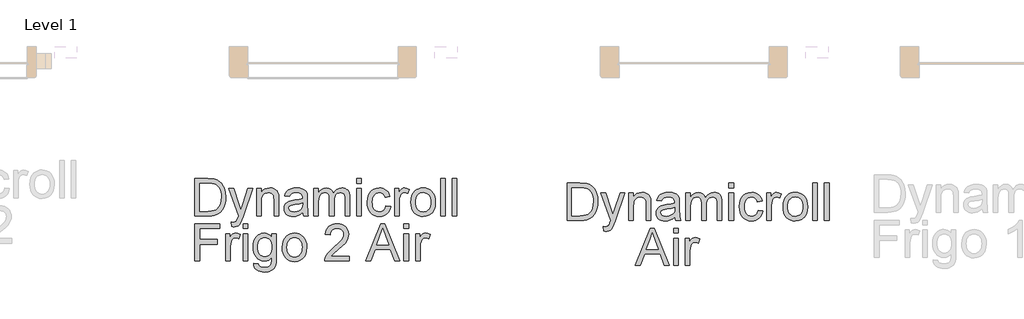
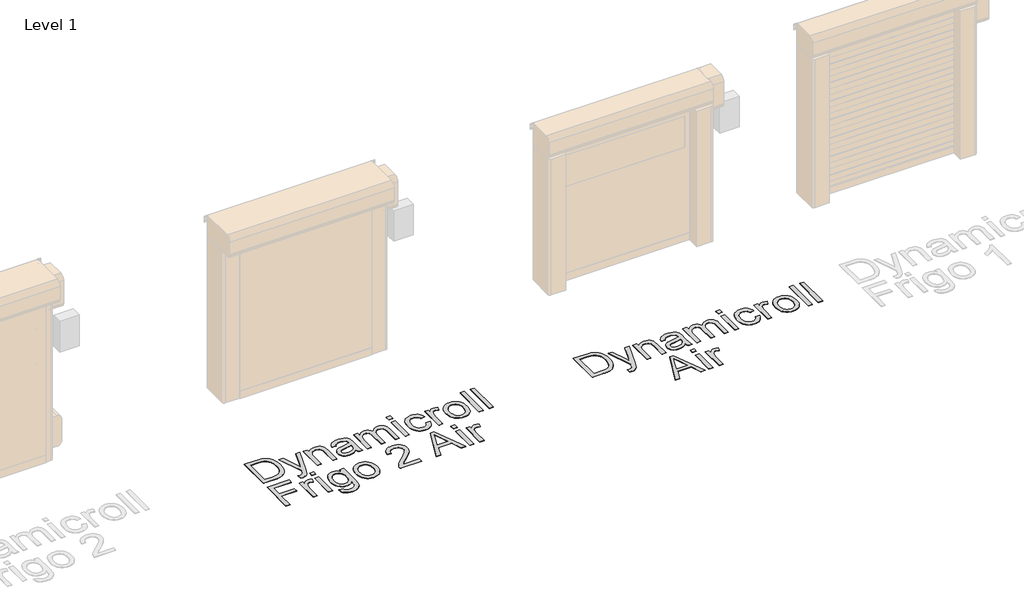
# One storey, part 5 of 18: 2 proxies.
"""IFC4 building model written with IfcOpenShell, lengths in millimetres."""

import ifcopenshell
import ifcopenshell.guid

model = None  # the IFC model being written
_history = None  # IfcOwnerHistory: only IFC2X3 demands one
_inside = {}  # id of a spatial element -> (the spatial element, [elements in it])
_under = {}  # id of a project, library or spatial element -> (it, [spatial elements below it])
_declared = {}  # id of a project -> (the project, [libraries it declares])
_typed = {}  # id of a type object -> (the type object, [elements of that type])
_made_of = {}  # id of a material, layer set ... -> (it, [elements and type objects made of it])


def new_model(schema):
    """Start an empty IFC model of exactly this schema.

    Asked for "IFC4X3", IfcOpenShell would pick the latest addendum, in which some entities
    have other attributes; the version numbers below select the first issue.
    IFC2X3 requires an IfcOwnerHistory on every rooted entity: one is made here for all.
    """
    global model, _history
    if schema == "IFC4X3":
        model = ifcopenshell.file(schema_version=(4, 3, 0, 0))
    else:
        model = ifcopenshell.file(schema=schema)
    _inside.clear()
    _under.clear()
    _declared.clear()
    _typed.clear()
    _made_of.clear()
    _history = None
    if model.schema == "IFC2X3":
        org = make("IfcOrganization", Name="unknown")
        user = make(
            "IfcPersonAndOrganization",
            ThePerson=make("IfcPerson", FamilyName="unknown"),
            TheOrganization=org,
        )
        app = make(
            "IfcApplication",
            ApplicationDeveloper=org,
            Version="unknown",
            ApplicationFullName="unknown",
            ApplicationIdentifier="unknown",
        )
        _history = make(
            "IfcOwnerHistory",
            OwningUser=user,
            OwningApplication=app,
            ChangeAction="ADDED",
            CreationDate=0,
        )
    return model


def make(cls, **values):
    """One entity of the class cls with the attributes given. An attribute that is None is left unset."""
    return model.create_entity(
        cls, **{name: value for name, value in values.items() if value is not None}
    )


def rooted(cls, **values):
    """An entity with a GlobalId (a new one), such as an element, a storey or a relation."""
    return make(cls, GlobalId=ifcopenshell.guid.new(), OwnerHistory=_history, **values)


def si_unit(unit_type, name, prefix=None):
    """IfcSIUnit, for example si_unit("LENGTHUNIT", "METRE", prefix="MILLI")."""
    return make("IfcSIUnit", UnitType=unit_type, Prefix=prefix, Name=name)


def assignment(units):
    """IfcUnitAssignment: the units of a project."""
    return None if units is None else make("IfcUnitAssignment", Units=units)


def point(xyz):
    """IfcCartesianPoint."""
    return None if xyz is None else make("IfcCartesianPoint", Coordinates=xyz)


def direction(xyz):
    """IfcDirection."""
    return None if xyz is None else make("IfcDirection", DirectionRatios=xyz)


def frame(location, z_axis=None, x_axis=None):
    """IfcAxis2Placement3D, a coordinate frame: its origin and axes. An axis left out is left unset."""
    return make(
        "IfcAxis2Placement3D",
        Location=point(location),
        Axis=direction(z_axis),
        RefDirection=direction(x_axis),
    )


def origin():
    """The frame at (0, 0, 0) with its axes left unset."""
    return frame((0.0, 0.0, 0.0))


def origin_with_axes():
    """The frame at (0, 0, 0) with the z axis (0, 0, 1) and the x axis (1, 0, 0) written out."""
    return frame((0.0, 0.0, 0.0), z_axis=(0.0, 0.0, 1.0), x_axis=(1.0, 0.0, 0.0))


def place(relative_to, where):
    """IfcLocalPlacement: puts the frame where relative to a parent placement (None: the world)."""
    return make(
        "IfcLocalPlacement", PlacementRelTo=relative_to, RelativePlacement=where
    )


def context(
    kind, dimensions, precision=None, world=None, true_north=None, identifier=None
):
    """IfcGeometricRepresentationContext, for example the 3D "Model" context."""
    return make(
        "IfcGeometricRepresentationContext",
        ContextIdentifier=identifier,
        ContextType=kind,
        CoordinateSpaceDimension=dimensions,
        Precision=precision,
        WorldCoordinateSystem=world,
        TrueNorth=true_north,
    )


def project(units=None, contexts=None):
    """IfcProject with its units and contexts."""
    return rooted(
        "IfcProject",
        Name="project",
        RepresentationContexts=contexts,
        UnitsInContext=assignment(units),
    )


def spatial(cls, under=None, at=None, **own):
    """A site, building, storey or space (cls), placed at a placement, below another one or the project."""
    s = rooted(cls, ObjectPlacement=at, **own)
    if under is not None:
        _under.setdefault(under.id(), (under, []))[1].append(s)
    return s


def polyline(points):
    """IfcPolyline through the points."""
    return make("IfcPolyline", Points=[point(p) for p in points])


def outline(outer, holes=None, kind="AREA"):
    """IfcArbitraryClosedProfileDef: a profile drawn as a closed curve; with holes, ...WithVoids."""
    if holes is None:
        return make("IfcArbitraryClosedProfileDef", ProfileType=kind, OuterCurve=outer)
    return make(
        "IfcArbitraryProfileDefWithVoids",
        ProfileType=kind,
        OuterCurve=outer,
        InnerCurves=holes,
    )


def extrude(swept, where, along, depth):
    """IfcExtrudedAreaSolid: the profile swept, set in the frame where, extruded along a direction by depth."""
    return make(
        "IfcExtrudedAreaSolid",
        SweptArea=swept,
        Position=where,
        ExtrudedDirection=direction(along),
        Depth=depth,
    )


def shape(context_of_items, identifier, shape_type, items):
    """IfcShapeRepresentation: the items that make up one representation, for example the "Body"."""
    return make(
        "IfcShapeRepresentation",
        ContextOfItems=context_of_items,
        RepresentationIdentifier=identifier,
        RepresentationType=shape_type,
        Items=items,
    )


def made_of(thing, what):
    """Note that an element or type object is made of a material, layer set ...; save() writes the relation."""
    if what is not None:
        _made_of.setdefault(what.id(), (what, []))[1].append(thing)
    return thing


def element(
    cls,
    number,
    at=None,
    inside=None,
    cuts=None,
    type_object=None,
    material=None,
    context=None,
    identifier="Body",
    shape_type=None,
    held_by="IfcProductDefinitionShape",
    body=None,
    shapes=None,
    **own,
):
    """One element of the class cls, such as IfcWall. Its Tag is "e" and its number.

    at: its placement. inside: the storey or other place that contains it. cuts: it is an
    opening in that element (IfcRelVoidsElement). A single representation is given by context,
    identifier, shape_type and body (its items); several are given by shapes. held_by: the class
    of the entity that holds the representations. save() writes the other relations.
    """
    e = rooted(cls, Tag="e%d" % number, ObjectPlacement=at, **own)
    if body is not None:
        shapes = [shape(context, identifier, shape_type, body)]
    if shapes is not None:
        e.Representation = make(held_by, Representations=shapes)
    if inside is not None:
        _inside.setdefault(inside.id(), (inside, []))[1].append(e)
    if cuts is not None:
        rooted(
            "IfcRelVoidsElement", RelatingBuildingElement=cuts, RelatedOpeningElement=e
        )
    if type_object is not None:
        _typed.setdefault(type_object.id(), (type_object, []))[1].append(e)
    return made_of(e, material)


def aggregate(whole, parts):
    """IfcRelAggregates: a whole, such as a stair, and the parts it consists of."""
    return rooted("IfcRelAggregates", RelatingObject=whole, RelatedObjects=parts)


def save(model, path):
    """Write the relations noted so far, then the file.

    IfcRelAggregates (storeys below a building ...), IfcRelContainedInSpatialStructure (elements
    in a storey), IfcRelDefinesByType, IfcRelAssociatesMaterial and IfcRelDeclares: one each for
    every whole, place, type object, material and project.
    """
    for whole, parts in _under.values():
        aggregate(whole, parts)
    for where, things in _inside.values():
        rooted(
            "IfcRelContainedInSpatialStructure",
            RelatedElements=things,
            RelatingStructure=where,
        )
    for kind, things in _typed.values():
        rooted("IfcRelDefinesByType", RelatedObjects=things, RelatingType=kind)
    for what, things in _made_of.values():
        rooted("IfcRelAssociatesMaterial", RelatedObjects=things, RelatingMaterial=what)
    for by, libraries in _declared.values():
        rooted("IfcRelDeclares", RelatingContext=by, RelatedDefinitions=libraries)
    model.write(path)


model = new_model("IFC4")

# Units and contexts
model_context = context("Model", 3, world=origin())
ifc_project = project(units=[si_unit("LENGTHUNIT", "METRE", prefix="MILLI")], contexts=[model_context])

# Site, building, storey
site = spatial("IfcSite", under=ifc_project)
building = spatial("IfcBuilding", under=site)
storey = spatial("IfcBuildingStorey", under=building, Name="Level 1", Elevation=0.0)

# Proxies
placement = place(None, origin())
element("IfcBuildingElementProxy", 1, Name="500mm", ObjectType="500mm", at=placement, inside=storey, context=model_context, shape_type="SweptSolid", body=[
    extrude(outline(polyline([(24771.8968294, 7368.7374399), (24771.8968294, 7871.0189907), (24945.1692491, 7871.0189907), (24996.94864, 7869.2102375), (25034.8098286, 7863.7839781), (25074.8476524, 7849.8351191), (25108.6314823, 7827.8541699), (25127.2478441, 7809.8892658), (25143.365674, 7789.5944424), (25156.9849721, 7766.9696997), (25168.1057382, 7742.0150377), (25182.9129885, 7686.0356608), (25187.8487386, 7622.5760166), (25184.5071438, 7568.6659759), (25174.4823595, 7521.2245269), (25159.2152567, 7480.8341495), (25140.1467066, 7448.0773235), (25118.1964142, 7422.218285), (25094.2840845, 7402.5212698), (25066.8308906, 7387.9132889), (25034.2580056, 7377.3213531), (24996.5041159, 7370.8834182), (24953.5079077, 7368.7374399), (24771.8968294, 7368.7374399)]), holes=[polyline([(24834.6820233, 7431.5226338), (24945.7823858, 7431.5226338), (24991.7369784, 7433.7912394), (25026.5937974, 7440.5970563), (25052.8973601, 7451.5415457), (25073.1921835, 7466.2261686), (25095.0045201, 7493.403451), (25111.3905973, 7528.5821668), (25121.6453079, 7571.9156002), (25125.0635448, 7623.5570352), (25123.3889153, 7660.0080096), (25118.3650268, 7691.9830863), (25109.9918793, 7719.4822655), (25098.2694728, 7742.505547), (25084.1481691, 7761.5740971), (25068.5783301, 7777.2090819), (25051.5599557, 7789.4105014), (25033.093046, 7798.1783556), (24996.9792968, 7805.7199365), (24944.0656032, 7808.2337968), (24834.6820233, 7808.2337968), (24834.6820233, 7431.5226338)])]), origin_with_axes(), (0.0, 0.0, 1.0), 5.0),
    extrude(outline(polyline([(25266.3302309, 7227.4707538), (25258.4820817, 7287.9260283), (25290.3651879, 7282.4077984), (25307.1344756, 7284.1399094), (25320.1636296, 7289.3362426), (25330.3110413, 7297.6289159), (25338.435102, 7308.6500474), (25355.6029284, 7354.8805514), (25360.5080217, 7370.0863406), (25227.0894848, 7737.6004537), (25293.3082439, 7737.6004537), (25364.0642143, 7532.8128098), (25388.712308, 7450.8977522), (25413.3604017, 7523.2478779), (25486.0784094, 7737.6004537), (25551.8066592, 7737.6004537), (25423.4158429, 7359.908272), (25390.0612086, 7277.9932144), (25372.9853527, 7251.8429359), (25353.6408911, 7233.7247477), (25331.1694326, 7223.1481403), (25304.7125858, 7219.6226045), (25286.5330838, 7221.5846418), (25266.3302309, 7227.4707538)])), origin_with_axes(), (0.0, 0.0, 1.0), 5.0),
    extrude(outline(polyline([(25603.8006478, 7368.7374399), (25603.8006478, 7737.6004537), (25666.5858417, 7737.6004537), (25666.5858417, 7686.0969744), (25688.3981783, 7712.0633119), (25714.594442, 7730.6106958), (25745.1746329, 7741.7391262), (25780.1387509, 7745.448603), (25811.0868237, 7742.4595618), (25839.4290657, 7733.4924381), (25863.0654839, 7719.6662065), (25879.8960852, 7702.0998412), (25891.3157555, 7680.8393276), (25898.7193806, 7655.9306508), (25902.0303186, 7595.2301216), (25902.0303186, 7368.7374399), (25839.2451247, 7368.7374399), (25839.2451247, 7586.7688357), (25837.4363716, 7619.2344218), (25832.0101122, 7642.319017), (25822.0006562, 7658.8583784), (25806.4423135, 7671.6882629), (25786.5000437, 7679.9196226), (25763.3388064, 7682.6634091), (25744.2740884, 7681.1229033), (25726.5659353, 7676.5013857), (25710.214347, 7668.7988564), (25695.2193236, 7658.0153155), (25682.6921753, 7642.9244894), (25673.7442122, 7622.3001051), (25668.3754343, 7596.1421624), (25666.5858417, 7564.4506613), (25666.5858417, 7368.7374399), (25603.8006478, 7368.7374399)])), origin_with_axes(), (0.0, 0.0, 1.0), 5.0),
    extrude(outline(polyline([(26223.804437, 7415.8263353), (26193.806726, 7390.1052525), (26162.9199668, 7373.2746512), (26130.4390523, 7363.9856308), (26095.6588754, 7360.8892907), (26067.7036759, 7362.7516933), (26043.1897058, 7368.3389011), (26022.1169653, 7377.6509141), (26004.4854542, 7390.6877323), (25990.56342, 7406.6216212), (25980.6191098, 7424.6248463), (25974.6525237, 7444.6974077), (25972.6636617, 7466.8393053), (25975.6680313, 7492.8669564), (25984.6811402, 7516.5033746), (25998.5840139, 7536.7368844), (26016.2576781, 7552.5558102), (26037.0276824, 7564.511975), (26060.2195765, 7573.1572019), (26114.5434845, 7582.5995064), (26178.7388926, 7592.5323203), (26223.436555, 7604.1819168), (26223.804437, 7618.1614326), (26219.4818236, 7646.1817779), (26206.5139833, 7664.514564), (26193.438844, 7672.4546838), (26177.5126193, 7678.1261979), (26137.1069135, 7682.6634091), (26099.7055773, 7679.6437111), (26073.5859557, 7670.584617), (26055.7743357, 7653.8306578), (26043.2970047, 7627.7263645), (25980.5118109, 7635.5745137), (25991.410315, 7669.9101666), (26007.6737649, 7696.8881796), (26030.8196737, 7717.5202282), (26062.3655548, 7732.8179878), (26100.9471791, 7742.2909492), (26145.2003174, 7745.448603), (26187.6447026, 7742.6588312), (26221.2905767, 7734.2895158), (26246.659106, 7721.7048859), (26264.2714565, 7706.2691705), (26275.9517099, 7687.185292), (26283.5239476, 7663.6561727), (26286.5896309, 7608.7191281), (26286.5896309, 7530.6055178), (26289.7779415, 7421.5285062), (26294.4990938, 7394.5658217), (26302.2859293, 7368.7374399), (26239.5007355, 7368.7374399), (26229.4452943, 7390.565105), (26223.804437, 7415.8263353)]), holes=[polyline([(26223.804437, 7541.396723), (26181.6206349, 7530.942743), (26122.514261, 7522.1442319), (26068.4969214, 7511.9661634), (26054.4407635, 7505.0070623), (26044.0327687, 7495.4114736), (26037.5948338, 7483.9151612), (26035.4488555, 7471.2538892), (26040.1240225, 7452.583878), (26054.1495236, 7437.2861183), (26077.2187904, 7427.077393), (26109.0252545, 7423.6744845), (26142.7477708, 7427.4299466), (26172.5462124, 7438.6963327), (26196.7037967, 7455.2970077), (26213.5037412, 7475.0553365), (26220.9533516, 7495.4114736), (26223.436555, 7523.6157599), (26223.804437, 7541.396723)])]), origin_with_axes(), (0.0, 0.0, 1.0), 5.0),
    extrude(outline(polyline([(26372.9192724, 7368.7374399), (26372.9192724, 7737.6004537), (26435.7044663, 7737.6004537), (26435.7044663, 7676.8999245), (26454.5890753, 7704.7823141), (26478.869287, 7726.6253076), (26507.7173668, 7740.7427791), (26540.3055802, 7745.448603), (26575.2237129, 7740.6508086), (26603.2134014, 7726.2574256), (26624.1213615, 7703.2188156), (26637.7943089, 7672.4853406), (26660.6796347, 7704.4067679), (26686.783928, 7727.2077874), (26716.1071887, 7740.8883991), (26748.6494168, 7745.448603), (26773.7841877, 7743.5517114), (26795.8456111, 7737.8610368), (26814.833687, 7728.3765791), (26830.7484154, 7715.0983384), (26843.3292132, 7697.8730304), (26852.3154974, 7676.547371), (26857.7072679, 7651.1213601), (26859.5045247, 7621.5949979), (26859.5045247, 7368.7374399), (26796.7193309, 7368.7374399), (26796.7193309, 7594.6169849), (26795.2631313, 7625.9329398), (26790.8945326, 7647.0401693), (26782.7091582, 7661.494866), (26769.8026315, 7672.8532226), (26753.2019565, 7680.2108625), (26733.934137, 7682.6634091), (26716.1416776, 7681.0922464), (26699.9203809, 7676.3787584), (26685.2702468, 7668.5229449), (26672.1912755, 7657.5248061), (26661.4345592, 7643.0624452), (26653.7511905, 7624.8139654), (26649.1411692, 7602.7793667), (26647.6044955, 7576.9586492), (26647.6044955, 7368.7374399), (26584.8193016, 7368.7374399), (26584.8193016, 7601.6067429), (26581.1864669, 7637.1073554), (26570.2879628, 7662.4298994), (26561.8611659, 7671.2820599), (26551.1121138, 7677.6050317), (26522.6472445, 7682.6634091), (26498.4590033, 7679.2911575), (26476.1714857, 7669.1744026), (26457.777386, 7652.5583992), (26445.2693981, 7629.6884018), (26438.0956992, 7597.9585797), (26435.7044663, 7554.7631021), (26435.7044663, 7368.7374399), (26372.9192724, 7368.7374399)])), origin_with_axes(), (0.0, 0.0, 1.0), 5.0),
    extrude(outline(polyline([(26953.6823155, 7808.2337968), (26953.6823155, 7871.0189907), (27016.4675093, 7871.0189907), (27016.4675093, 7808.2337968), (26953.6823155, 7808.2337968)])), origin_with_axes(), (0.0, 0.0, 1.0), 5.0),
    extrude(outline(polyline([(26953.6823155, 7368.7374399), (26953.6823155, 7737.6004537), (27016.4675093, 7737.6004537), (27016.4675093, 7368.7374399), (26953.6823155, 7368.7374399)])), origin_with_axes(), (0.0, 0.0, 1.0), 5.0),
    extrude(outline(polyline([(27346.089777, 7502.1559768), (27408.8749708, 7494.3078276), (27402.0461613, 7464.6818307), (27391.3699192, 7438.4664064), (27376.8462446, 7415.6615548), (27358.4751375, 7396.2672759), (27337.0306829, 7380.7894074), (27313.2869658, 7369.733787), (27287.2439862, 7363.1004148), (27258.9017441, 7360.8892907), (27223.6885394, 7363.9741345), (27192.1158336, 7373.2286659), (27164.1836267, 7388.652885), (27139.8919187, 7410.2467917), (27120.2293925, 7437.604183), (27106.1847309, 7470.3188558), (27097.7579339, 7508.3908102), (27094.9490016, 7551.8200462), (27099.746796, 7607.6921242), (27114.140179, 7656.1145918), (27124.9926979, 7677.064705), (27138.359077, 7695.2173822), (27154.2393165, 7710.5726234), (27172.6334163, 7723.1304286), (27213.6369303, 7739.8690594), (27258.0433528, 7745.448603), (27285.8989176, 7743.5325509), (27311.0950022, 7737.7843947), (27333.6316065, 7728.2041344), (27353.5087306, 7714.79177), (27370.3891492, 7697.8538698), (27383.9356372, 7677.6970022), (27394.1481947, 7654.3211671), (27401.0268216, 7627.7263645), (27338.2416278, 7619.8782153), (27326.8526143, 7647.2700955), (27309.1176365, 7666.905797), (27286.0177129, 7678.7240061), (27258.5338621, 7682.6634091), (27237.2005385, 7680.7243644), (27217.9595438, 7674.9072304), (27200.8108778, 7665.212007), (27185.7545408, 7651.6386942), (27173.4956397, 7633.8730595), (27164.7392818, 7611.6008704), (27159.485467, 7584.8221268), (27157.7341955, 7553.5368288), (27159.447146, 7521.780182), (27164.5859976, 7494.691038), (27173.1507503, 7472.2693968), (27185.1414041, 7454.5152585), (27199.8988371, 7441.0224199), (27216.7639273, 7431.384678), (27235.7366748, 7425.6020329), (27256.8170795, 7423.6744845), (27289.3286508, 7428.4876073), (27315.9847671, 7442.9269756), (27326.7644759, 7453.8484723), (27335.3752139, 7467.3604715), (27346.089777, 7502.1559768)])), origin_with_axes(), (0.0, 0.0, 1.0), 5.0),
    extrude(outline(polyline([(27463.8120154, 7368.7374399), (27463.8120154, 7737.6004537), (27518.7490601, 7737.6004537), (27518.7490601, 7683.0312911), (27539.0438835, 7714.6691427), (27557.7445516, 7733.3084971), (27576.5065333, 7742.4135765), (27596.9852977, 7745.448603), (27628.2552673, 7740.6048234), (27660.0157462, 7726.0734846), (27639.0464725, 7669.7875393), (27616.9735528, 7679.4444417), (27594.9006331, 7682.6634091), (27576.1539797, 7679.567069), (27559.4000205, 7670.2780486), (27545.8650288, 7655.5014552), (27536.7752778, 7635.9423957), (27529.1417264, 7600.8709789), (27526.5972093, 7562.6112514), (27526.5972093, 7368.7374399), (27463.8120154, 7368.7374399)])), origin_with_axes(), (0.0, 0.0, 1.0), 5.0),
    extrude(outline(polyline([(27683.5601939, 7553.1689468), (27686.9554381, 7600.9399567), (27697.1411709, 7642.1044192), (27714.1173921, 7676.6623341), (27737.8841019, 7704.6137015), (27761.81176, 7722.4789709), (27788.2226215, 7735.2398776), (27817.1166866, 7742.8964216), (27848.4939551, 7745.448603), (27883.1323442, 7742.3407665), (27914.4521311, 7733.0172572), (27942.4533159, 7717.478075), (27967.1358985, 7695.72322), (27987.2812699, 7668.488456), (28001.6708208, 7636.5095471), (28010.3045514, 7599.7864934), (28013.1824616, 7558.3192948), (28008.0934273, 7494.8903074), (28001.7321345, 7468.8549921), (27992.8263245, 7446.6057956), (27981.4871284, 7427.3877934), (27967.8256773, 7410.4460611), (27951.841971, 7395.7805987), (27933.5360096, 7383.3914061), (27892.8084071, 7366.5148195), (27848.4939551, 7360.8892907), (27813.3497282, 7363.9856308), (27781.7387014, 7373.2746512), (27753.6608745, 7388.7563518), (27729.1162476, 7410.4307327), (27709.1854741, 7437.9299118), (27694.9492073, 7470.8860072), (27686.4074473, 7509.2990189), (27683.5601939, 7553.1689468)]), holes=[polyline([(27746.3453877, 7553.2915742), (27748.1618051, 7522.8378427), (27753.6110571, 7496.4691343), (27762.6931439, 7474.1854489), (27775.4080654, 7455.9867864), (27790.8744376, 7441.8501543), (27808.2108766, 7431.75256), (27827.4173824, 7425.6940034), (27848.4939551, 7423.6744845), (27869.4632288, 7425.7054997), (27888.5930925, 7431.7985453), (27905.8835463, 7441.9536212), (27921.3345901, 7456.1707274), (27934.0495116, 7474.5494988), (27943.1315983, 7497.1895699), (27948.5808504, 7524.0909408), (27950.3972677, 7555.2536115), (27948.5693541, 7584.7416526), (27943.0856131, 7610.4205823), (27933.9460448, 7632.2904005), (27921.1506491, 7650.3511072), (27905.6421238, 7664.4877393), (27888.3631663, 7674.5853337), (27869.3137767, 7680.6438903), (27848.4939551, 7682.6634091), (27827.4173824, 7680.6515545), (27808.2108766, 7674.6159905), (27790.8744376, 7664.5567172), (27775.4080654, 7650.4737346), (27762.6931439, 7632.3287216), (27753.6110571, 7610.0833572), (27748.1618051, 7583.7376414), (27746.3453877, 7553.2915742)])]), origin_with_axes(), (0.0, 0.0, 1.0), 5.0),
    extrude(outline(polyline([(28083.8158047, 7368.7374399), (28083.8158047, 7871.0189907), (28146.6009985, 7871.0189907), (28146.6009985, 7368.7374399), (28083.8158047, 7368.7374399)])), origin_with_axes(), (0.0, 0.0, 1.0), 5.0),
    extrude(outline(polyline([(28240.7787893, 7368.7374399), (28240.7787893, 7871.0189907), (28303.5639831, 7871.0189907), (28303.5639831, 7368.7374399), (28240.7787893, 7368.7374399)])), origin_with_axes(), (0.0, 0.0, 1.0), 5.0),
    extrude(outline(polyline([(24771.8968294, 6758.8633507), (24771.8968294, 7261.1449014), (25109.3672463, 7261.1449014), (25109.3672463, 7198.3597076), (24834.6820233, 7198.3597076), (24834.6820233, 7049.2448722), (25070.1265002, 7049.2448722), (25070.1265002, 6986.4596784), (24834.6820233, 6986.4596784), (24834.6820233, 6758.8633507), (24771.8968294, 6758.8633507)])), origin_with_axes(), (0.0, 0.0, 1.0), 5.0),
    extrude(outline(polyline([(25187.8487386, 6758.8633507), (25187.8487386, 7127.7263645), (25242.7857832, 7127.7263645), (25242.7857832, 7073.1572019), (25263.0806066, 7104.7950535), (25281.7812747, 7123.4344079), (25300.5432565, 7132.5394873), (25321.0220209, 7135.5745137), (25352.2919905, 7130.7307341), (25384.0524694, 7116.1993953), (25363.0831957, 7059.9134501), (25341.0102759, 7069.5703524), (25318.9373562, 7072.7893199), (25300.1907029, 7069.6929798), (25283.4367437, 7060.4039594), (25269.901752, 7045.6273659), (25260.812001, 7026.0683065), (25253.1784496, 6990.9968896), (25250.6339325, 6952.7371621), (25250.6339325, 6758.8633507), (25187.8487386, 6758.8633507)])), origin_with_axes(), (0.0, 0.0, 1.0), 5.0),
    extrude(outline(polyline([(25423.2932155, 7198.3597076), (25423.2932155, 7261.1449014), (25486.0784094, 7261.1449014), (25486.0784094, 7198.3597076), (25423.2932155, 7198.3597076)])), origin_with_axes(), (0.0, 0.0, 1.0), 5.0),
    extrude(outline(polyline([(25423.2932155, 6758.8633507), (25423.2932155, 7127.7263645), (25486.0784094, 7127.7263645), (25486.0784094, 6758.8633507), (25423.2932155, 6758.8633507)])), origin_with_axes(), (0.0, 0.0, 1.0), 5.0),
    extrude(outline(polyline([(25564.5599017, 6727.4707538), (25627.3450955, 6719.6226045), (25634.2735398, 6700.0022315), (25647.7012326, 6686.513225), (25674.0967657, 6676.0285881), (25708.6470165, 6672.5337091), (25745.4965296, 6676.4884406), (25772.9037383, 6688.3526349), (25791.9109747, 6707.3598714), (25803.5605712, 6732.743729), (25806.9634797, 6759.7523988), (25807.8525278, 6805.9522461), (25786.9598962, 6785.3508543), (25763.6453747, 6770.6355745), (25737.9089635, 6761.8064066), (25709.7506624, 6758.8633507), (25675.3268712, 6762.2892518), (25645.0187597, 6772.566955), (25618.8263281, 6789.6964604), (25596.7495763, 6813.677768), (25579.2330283, 6842.4492057), (25566.7212084, 6873.9491015), (25559.2141164, 6908.1774555), (25556.7117525, 6945.1342676), (25561.2029785, 6995.8253408), (25574.6766565, 7042.4390553), (25596.6576058, 7081.9403845), (25610.6601142, 7097.8857698), (25626.6706452, 7111.2943021), (25644.4324478, 7121.9168947), (25663.688771, 7129.5044608), (25684.4396148, 7134.0570005), (25706.6849792, 7135.5745137), (25736.0465609, 7132.1409485), (25762.6950129, 7121.8402526), (25786.6303352, 7104.6724262), (25807.8525278, 7080.6374691), (25807.8525278, 7127.7263645), (25870.6377217, 7127.7263645), (25870.6377217, 6809.263184), (25866.3457651, 6735.7327702), (25860.9808193, 6708.3830432), (25853.4698952, 6687.3103026), (25831.2896766, 6655.1972701), (25799.0846736, 6630.5951617), (25779.3991548, 6621.4747539), (25757.5599934, 6614.9601769), (25707.4207431, 6609.7485153), (25676.6604434, 6611.5840932), (25649.004148, 6617.0908268), (25624.4518569, 6626.2687162), (25603.0035702, 6639.1177613), (25585.6786275, 6655.6532905), (25573.4963685, 6675.8906324), (25566.4567932, 6699.8297868), (25564.5599017, 6727.4707538)]), holes=[polyline([(25619.4969463, 6949.4262242), (25621.1715758, 6918.3823487), (25626.1954643, 6891.8373635), (25634.5686118, 6869.7912685), (25646.2910183, 6852.2440638), (25660.5426135, 6838.8585241), (25676.5033271, 6829.2974243), (25694.1731592, 6823.5607645), (25713.5521097, 6821.6485445), (25732.739455, 6823.5492682), (25750.3249808, 6829.2514391), (25766.3086871, 6838.7550573), (25780.6905738, 6852.0601228), (25792.5739287, 6869.4348829), (25801.0620393, 6891.1475848), (25806.1549057, 6917.1982286), (25807.8525278, 6947.5868142), (25806.1050883, 6976.7069734), (25800.8627699, 7002.0180211), (25792.1255725, 7023.5199573), (25779.8934962, 7041.212782), (25765.201209, 7055.0275173), (25749.0833791, 7064.8951854), (25731.5400065, 7070.8157863), (25712.5710911, 7072.7893199), (25693.9202403, 7070.8464431), (25676.717925, 7065.0178128), (25660.9641449, 7055.3034288), (25646.6589003, 7041.7032913), (25634.7755454, 7024.2787139), (25626.2874348, 7003.0910102), (25621.1945684, 6978.1401803), (25619.4969463, 6949.4262242)])]), origin_with_axes(), (0.0, 0.0, 1.0), 5.0),
    extrude(outline(polyline([(25949.119214, 6943.2948576), (25952.5144582, 6991.0658675), (25962.700191, 7032.2303299), (25979.6764122, 7066.7882449), (26003.4431219, 7094.7396123), (26027.37078, 7112.6048817), (26053.7816416, 7125.3657884), (26082.6757066, 7133.0223324), (26114.0529751, 7135.5745137), (26148.6913643, 7132.4666773), (26180.0111512, 7123.143168), (26208.012336, 7107.6039858), (26232.6949186, 7085.8491307), (26252.8402899, 7058.6143668), (26267.2298409, 7026.6354579), (26275.8635715, 6989.9124042), (26278.7414817, 6948.4452055), (26273.6524474, 6885.0162182), (26267.2911546, 6858.9809028), (26258.3853446, 6836.7317063), (26247.0461485, 6817.5137042), (26233.3846973, 6800.5719719), (26217.4009911, 6785.9065094), (26199.0950297, 6773.5173168), (26158.3674271, 6756.6407303), (26114.0529751, 6751.0152015), (26078.9087483, 6754.1115416), (26047.2977214, 6763.400562), (26019.2198946, 6778.8822626), (25994.6752677, 6800.5566435), (25974.7444942, 6828.0558226), (25960.5082274, 6861.011918), (25951.9664673, 6899.4249297), (25949.119214, 6943.2948576)]), holes=[polyline([(26011.9044078, 6943.4174849), (26013.7208252, 6912.9637535), (26019.1700772, 6886.5950451), (26028.252164, 6864.3113597), (26040.9670854, 6846.1126972), (26056.4334577, 6831.9760651), (26073.7698967, 6821.8784708), (26092.9764025, 6815.8199142), (26114.0529751, 6813.8003953), (26135.0222489, 6815.8314105), (26154.1521126, 6821.924456), (26171.4425664, 6832.0795319), (26186.8936102, 6846.2966382), (26199.6085316, 6864.6754095), (26208.6906184, 6887.3154807), (26214.1398705, 6914.2168516), (26215.9562878, 6945.3795222), (26214.1283741, 6974.8675634), (26208.6446332, 7000.5464931), (26199.5050648, 7022.4163113), (26186.7096692, 7040.477018), (26171.2011438, 7054.6136501), (26153.9221864, 7064.7112444), (26134.8727968, 7070.769801), (26114.0529751, 7072.7893199), (26092.9764025, 7070.7774652), (26073.7698967, 7064.7419013), (26056.4334577, 7054.682628), (26040.9670854, 7040.5996453), (26028.252164, 7022.4546323), (26019.1700772, 7000.2092679), (26013.7208252, 6973.8635521), (26011.9044078, 6943.4174849)])]), origin_with_axes(), (0.0, 0.0, 1.0), 5.0),
    extrude(outline(polyline([(26851.6563755, 6821.6485445), (26851.6563755, 6758.8633507), (26522.0341078, 6758.8633507), (26523.4136653, 6780.9669272), (26528.778611, 6802.1507988), (26544.2603117, 6835.9806139), (26566.9157112, 6868.7987536), (26599.6878656, 6903.1497349), (26645.5198308, 6941.578075), (26713.2714316, 7001.757438), (26753.9223921, 7046.1791889), (26774.2478723, 7082.2316244), (26779.3292424, 7099.8899602), (26781.0230324, 7117.3030413), (26779.425045, 7133.6852864), (26774.6310827, 7148.7416235), (26766.6411457, 7162.4720525), (26755.4552337, 7174.8765736), (26741.6941479, 7185.1504447), (26725.9786889, 7192.4889241), (26708.3088568, 7196.8920117), (26688.6846516, 7198.3597076), (26649.5205475, 7192.6268798), (26633.2149445, 7185.4608451), (26619.0936409, 7175.4283966), (26607.6701385, 7162.8667593), (26599.4579394, 7148.1131584), (26594.4570435, 7131.167594), (26592.6674509, 7112.0300661), (26529.882257, 7119.8782153), (26535.2816917, 7152.2901519), (26545.1033746, 7180.6094013), (26559.3473056, 7204.8359635), (26578.0134847, 7224.9698386), (26600.6727164, 7240.7964286), (26626.8958048, 7252.1011357), (26656.6827501, 7258.88396), (26690.0335523, 7261.1449014), (26723.6832585, 7258.6310411), (26753.6311522, 7251.0894602), (26779.8772333, 7238.5201587), (26802.4215018, 7220.9231366), (26820.5281937, 7199.6013093), (26833.4615451, 7175.8575922), (26841.221556, 7149.6919853), (26843.8082262, 7121.1044886), (26841.0184544, 7091.0761207), (26832.6491391, 7061.568919), (26817.7959035, 7031.5558796), (26795.5543712, 7000.0099985), (26760.0997439, 6962.3480793), (26705.6072234, 6913.9869253), (26633.379725, 6853.5929644), (26605.0528114, 6821.6485445), (26851.6563755, 6821.6485445)])), origin_with_axes(), (0.0, 0.0, 1.0), 5.0),
    extrude(outline(polyline([(27075.6965105, 6758.8633507), (27276.1921979, 7261.1449014), (27329.6577145, 7261.1449014), (27530.1534019, 6758.8633507), (27463.8120154, 6758.8633507), (27406.2997969, 6915.8263353), (27199.4274882, 6915.8263353), (27142.037897, 6758.8633507), (27075.6965105, 6758.8633507)]), holes=[polyline([(27222.4814266, 6978.6115291), (27383.3684858, 6978.6115291), (27338.1190004, 7102.0972522), (27302.9249562, 7198.3597076), (27271.6549866, 7112.8884574), (27222.4814266, 6978.6115291)])]), origin_with_axes(), (0.0, 0.0, 1.0), 5.0),
    extrude(outline(polyline([(27589.3824031, 7198.3597076), (27589.3824031, 7261.1449014), (27652.167597, 7261.1449014), (27652.167597, 7198.3597076), (27589.3824031, 7198.3597076)])), origin_with_axes(), (0.0, 0.0, 1.0), 5.0),
    extrude(outline(polyline([(27589.3824031, 6758.8633507), (27589.3824031, 7127.7263645), (27652.167597, 7127.7263645), (27652.167597, 6758.8633507), (27589.3824031, 6758.8633507)])), origin_with_axes(), (0.0, 0.0, 1.0), 5.0),
    extrude(outline(polyline([(27746.3453877, 6758.8633507), (27746.3453877, 7127.7263645), (27801.2824324, 7127.7263645), (27801.2824324, 7073.1572019), (27821.5772558, 7104.7950535), (27840.2779238, 7123.4344079), (27859.0399056, 7132.5394873), (27879.51867, 7135.5745137), (27910.7886396, 7130.7307341), (27942.5491185, 7116.1993953), (27921.5798448, 7059.9134501), (27899.5069251, 7069.5703524), (27877.4340054, 7072.7893199), (27858.687352, 7069.6929798), (27841.9333928, 7060.4039594), (27828.3984011, 7045.6273659), (27819.3086501, 7026.0683065), (27811.6750987, 6990.9968896), (27809.1305816, 6952.7371621), (27809.1305816, 6758.8633507), (27746.3453877, 6758.8633507)])), origin_with_axes(), (0.0, 0.0, 1.0), 5.0),
])
element("IfcBuildingElementProxy", 2, Name="500mm", ObjectType="500mm", at=placement, inside=storey, context=model_context, shape_type="SweptSolid", body=[
    extrude(outline(polyline([(29787.548359, 7308.3079034), (29787.548359, 7810.5894542), (29960.8207787, 7810.5894542), (30012.6001695, 7808.780701), (30050.4613582, 7803.3544416), (30090.499182, 7789.4055826), (30124.2830119, 7767.4246334), (30142.8993737, 7749.4597293), (30159.0172036, 7729.1649059), (30172.6365016, 7706.5401632), (30183.7572678, 7681.5855012), (30198.5645181, 7625.6061242), (30203.5002682, 7562.1464801), (30200.1586734, 7508.2364394), (30190.133889, 7460.7949904), (30174.8667862, 7420.404613), (30155.7982362, 7387.647787), (30133.8479438, 7361.7887485), (30109.9356141, 7342.0917333), (30082.4824202, 7327.4837524), (30049.9095352, 7316.8918166), (30012.1556455, 7310.4538817), (29969.1594373, 7308.3079034), (29787.548359, 7308.3079034)]), holes=[polyline([(29850.3335528, 7371.0930973), (29961.4339154, 7371.0930973), (30007.3885079, 7373.3617029), (30042.245327, 7380.1675198), (30068.5488896, 7391.1120092), (30088.843713, 7405.7966321), (30110.6560497, 7432.9739145), (30127.0421269, 7468.1526303), (30137.2968375, 7511.4860637), (30140.7150744, 7563.1274987), (30139.0404449, 7599.5784731), (30134.0165564, 7631.5535498), (30125.6434089, 7659.052729), (30113.9210024, 7682.0760105), (30099.7996987, 7701.1445606), (30084.2298597, 7716.7795454), (30067.2114853, 7728.9809649), (30048.7445756, 7737.7488191), (30012.6308264, 7745.2904), (29959.7171327, 7747.8042603), (29850.3335528, 7747.8042603), (29850.3335528, 7371.0930973)])]), origin_with_axes(), (0.0, 0.0, 1.0), 5.0),
    extrude(outline(polyline([(30281.9817605, 7167.0412173), (30274.1336113, 7227.4964918), (30306.0167175, 7221.9782619), (30322.7860051, 7223.7103729), (30335.8151591, 7228.9067061), (30345.9625708, 7237.1993794), (30354.0866316, 7248.2205109), (30371.254458, 7294.4510149), (30376.1595513, 7309.6568041), (30242.7410144, 7677.1709172), (30308.9597735, 7677.1709172), (30379.7157439, 7472.3832733), (30404.3638376, 7390.4682157), (30429.0119312, 7462.8183414), (30501.729939, 7677.1709172), (30567.4581888, 7677.1709172), (30439.0673724, 7299.4787355), (30405.7127382, 7217.5636779), (30388.6368823, 7191.4133994), (30369.2924207, 7173.2952112), (30346.8209622, 7162.7186038), (30320.3641153, 7159.193068), (30302.1846134, 7161.1551053), (30281.9817605, 7167.0412173)])), origin_with_axes(), (0.0, 0.0, 1.0), 5.0),
    extrude(outline(polyline([(30619.4521774, 7308.3079034), (30619.4521774, 7677.1709172), (30682.2373713, 7677.1709172), (30682.2373713, 7625.6674379), (30704.0497079, 7651.6337754), (30730.2459716, 7670.1811593), (30760.8261625, 7681.3095897), (30795.7902804, 7685.0190665), (30826.7383533, 7682.0300253), (30855.0805953, 7673.0629016), (30878.7170135, 7659.23667), (30895.5476148, 7641.6703047), (30906.9672851, 7620.4097911), (30914.3709102, 7595.5011143), (30917.6818482, 7534.8005851), (30917.6818482, 7308.3079034), (30854.8966543, 7308.3079034), (30854.8966543, 7526.3392992), (30853.0879012, 7558.8048853), (30847.6616418, 7581.8894805), (30837.6521858, 7598.4288419), (30822.0938431, 7611.2587264), (30802.1515733, 7619.4900861), (30778.990336, 7622.2338726), (30759.925618, 7620.6933668), (30742.2174649, 7616.0718492), (30725.8658766, 7608.3693199), (30710.8708532, 7597.585779), (30698.3437049, 7582.4949529), (30689.3957417, 7561.8705686), (30684.0269639, 7535.7126259), (30682.2373713, 7504.0211248), (30682.2373713, 7308.3079034), (30619.4521774, 7308.3079034)])), origin_with_axes(), (0.0, 0.0, 1.0), 5.0),
    extrude(outline(polyline([(31239.4559666, 7355.3967988), (31209.4582556, 7329.675716), (31178.5714964, 7312.8451147), (31146.0905819, 7303.5560943), (31111.310405, 7300.4597542), (31083.3552054, 7302.3221568), (31058.8412354, 7307.9093646), (31037.7684949, 7317.2213776), (31020.1369838, 7330.2581958), (31006.2149496, 7346.1920847), (30996.2706394, 7364.1953098), (30990.3040533, 7384.2678712), (30988.3151912, 7406.4097688), (30991.3195609, 7432.4374199), (31000.3326698, 7456.0738381), (31014.2355435, 7476.3073479), (31031.9092077, 7492.1262737), (31052.679212, 7504.0824385), (31075.8711061, 7512.7276654), (31130.195014, 7522.1699699), (31194.3904222, 7532.1027838), (31239.0880846, 7543.7523803), (31239.4559666, 7557.7318961), (31235.1333532, 7585.7522414), (31222.1655128, 7604.0850275), (31209.0903736, 7612.0251473), (31193.1641489, 7617.6966614), (31152.7584431, 7622.2338726), (31115.3571069, 7619.2141746), (31089.2374853, 7610.1550805), (31071.4258653, 7593.4011213), (31058.9485343, 7567.296828), (30996.1633405, 7575.1449772), (31007.0618446, 7609.4806301), (31023.3252945, 7636.4586431), (31046.4712033, 7657.0906917), (31078.0170844, 7672.3884513), (31116.5987086, 7681.8614127), (31160.851847, 7685.0190665), (31203.2962322, 7682.2292947), (31236.9421063, 7673.8599793), (31262.3106356, 7661.2753494), (31279.9229861, 7645.839634), (31291.6032394, 7626.7557555), (31299.1754772, 7603.2266362), (31302.2411605, 7548.2895916), (31302.2411605, 7470.1759813), (31305.4294711, 7361.0989697), (31310.1506234, 7334.1362852), (31317.9374589, 7308.3079034), (31255.1522651, 7308.3079034), (31245.0968239, 7330.1355685), (31239.4559666, 7355.3967988)]), holes=[polyline([(31239.4559666, 7480.9671865), (31197.2721645, 7470.5132064), (31138.1657906, 7461.7146954), (31084.148451, 7451.5366269), (31070.0922931, 7444.5775258), (31059.6842983, 7434.9819371), (31053.2463634, 7423.4856247), (31051.1003851, 7410.8243527), (31055.7755521, 7392.1543415), (31069.8010532, 7376.8565818), (31092.87032, 7366.6478565), (31124.6767841, 7363.244948), (31158.3993003, 7367.0004101), (31188.197742, 7378.2667962), (31212.3553263, 7394.8674712), (31229.1552708, 7414.6258), (31236.6048812, 7434.9819371), (31239.0880846, 7463.1862234), (31239.4559666, 7480.9671865)])]), origin_with_axes(), (0.0, 0.0, 1.0), 5.0),
    extrude(outline(polyline([(31388.570802, 7308.3079034), (31388.570802, 7677.1709172), (31451.3559958, 7677.1709172), (31451.3559958, 7616.470388), (31470.2406049, 7644.3527776), (31494.5208166, 7666.1957711), (31523.3688964, 7680.3132426), (31555.9571098, 7685.0190665), (31590.8752425, 7680.2212721), (31618.864931, 7665.8278891), (31639.772891, 7642.7892791), (31653.4458385, 7612.0558041), (31676.3311643, 7643.9772314), (31702.4354575, 7666.7782509), (31731.7587182, 7680.4588626), (31764.3009464, 7685.0190665), (31789.4357173, 7683.1221749), (31811.4971407, 7677.4315003), (31830.4852166, 7667.9470426), (31846.399945, 7654.6688019), (31858.9807428, 7637.4434939), (31867.967027, 7616.1178345), (31873.3587975, 7590.6918236), (31875.1560543, 7561.1654614), (31875.1560543, 7308.3079034), (31812.3708604, 7308.3079034), (31812.3708604, 7534.1874484), (31810.9146609, 7565.5034033), (31806.5460622, 7586.6106328), (31798.3606878, 7601.0653295), (31785.4541611, 7612.4236861), (31768.8534861, 7619.781326), (31749.5856666, 7622.2338726), (31731.7932072, 7620.6627099), (31715.5719105, 7615.9492219), (31700.9217764, 7608.0934084), (31687.8428051, 7597.0952696), (31677.0860888, 7582.6329087), (31669.4027201, 7564.3844289), (31664.7926988, 7542.3498302), (31663.2560251, 7516.5291127), (31663.2560251, 7308.3079034), (31600.4708312, 7308.3079034), (31600.4708312, 7541.1772064), (31596.8379965, 7576.6778189), (31585.9394924, 7602.0003629), (31577.5126955, 7610.8525234), (31566.7636434, 7617.1754952), (31538.298774, 7622.2338726), (31514.1105328, 7618.861621), (31491.8230153, 7608.7448661), (31473.4289155, 7592.1288627), (31460.9209277, 7569.2588653), (31453.7472288, 7537.5290432), (31451.3559958, 7494.3335656), (31451.3559958, 7308.3079034), (31388.570802, 7308.3079034)])), origin_with_axes(), (0.0, 0.0, 1.0), 5.0),
    extrude(outline(polyline([(31969.333845, 7747.8042603), (31969.333845, 7810.5894542), (32032.1190389, 7810.5894542), (32032.1190389, 7747.8042603), (31969.333845, 7747.8042603)])), origin_with_axes(), (0.0, 0.0, 1.0), 5.0),
    extrude(outline(polyline([(31969.333845, 7308.3079034), (31969.333845, 7677.1709172), (32032.1190389, 7677.1709172), (32032.1190389, 7308.3079034), (31969.333845, 7308.3079034)])), origin_with_axes(), (0.0, 0.0, 1.0), 5.0),
    extrude(outline(polyline([(32361.7413066, 7441.7264403), (32424.5265004, 7433.8782911), (32417.6976909, 7404.2522942), (32407.0214488, 7378.0368699), (32392.4977742, 7355.2320183), (32374.1266671, 7335.8377394), (32352.6822124, 7320.3598709), (32328.9384953, 7309.3042505), (32302.8955158, 7302.6708783), (32274.5532737, 7300.4597542), (32239.340069, 7303.544598), (32207.7673632, 7312.7991294), (32179.8351563, 7328.2233485), (32155.5434483, 7349.8172552), (32135.8809221, 7377.1746465), (32121.8362605, 7409.8893193), (32113.4094635, 7447.9612737), (32110.6005312, 7491.3905097), (32115.3983255, 7547.2625877), (32129.7917086, 7595.6850553), (32140.6442275, 7616.6351685), (32154.0106066, 7634.7878457), (32169.8908461, 7650.1430869), (32188.2849458, 7662.7008921), (32229.2884599, 7679.4395229), (32273.6948824, 7685.0190665), (32301.5504472, 7683.1030144), (32326.7465318, 7677.3548582), (32349.2831361, 7667.7745979), (32369.1602601, 7654.3622335), (32386.0406788, 7637.4243333), (32399.5871668, 7617.2674657), (32409.7997243, 7593.8916306), (32416.6783512, 7567.296828), (32353.8931573, 7559.4486788), (32342.5041439, 7586.840559), (32324.7691661, 7606.4762605), (32301.6692424, 7618.2944696), (32274.1853917, 7622.2338726), (32252.8520681, 7620.2948279), (32233.6110733, 7614.4776939), (32216.4624074, 7604.7824705), (32201.4060703, 7591.2091577), (32189.1471693, 7573.443523), (32180.3908114, 7551.1713339), (32175.1369966, 7524.3925903), (32173.385725, 7493.1072923), (32175.0986756, 7461.3506455), (32180.2375272, 7434.2615015), (32188.8022799, 7411.8398603), (32200.7929337, 7394.085722), (32215.5503666, 7380.5928834), (32232.4154568, 7370.9551415), (32251.3882043, 7365.1724964), (32272.4686091, 7363.244948), (32304.9801804, 7368.0580708), (32331.6362966, 7382.4974391), (32342.4160055, 7393.4189358), (32351.0267435, 7406.9309349), (32361.7413066, 7441.7264403)])), origin_with_axes(), (0.0, 0.0, 1.0), 5.0),
    extrude(outline(polyline([(32479.463545, 7308.3079034), (32479.463545, 7677.1709172), (32534.4005896, 7677.1709172), (32534.4005896, 7622.6017546), (32554.695413, 7654.2396062), (32573.3960811, 7672.8789606), (32592.1580629, 7681.98404), (32612.6368273, 7685.0190665), (32643.9067969, 7680.1752869), (32675.6672758, 7665.6439481), (32654.6980021, 7609.3580028), (32632.6250824, 7619.0149052), (32610.5521626, 7622.2338726), (32591.8055093, 7619.1375325), (32575.0515501, 7609.8485121), (32561.5165584, 7595.0719186), (32552.4268074, 7575.5128592), (32544.793256, 7540.4414424), (32542.2487389, 7502.1817149), (32542.2487389, 7308.3079034), (32479.463545, 7308.3079034)])), origin_with_axes(), (0.0, 0.0, 1.0), 5.0),
    extrude(outline(polyline([(32699.2117235, 7492.7394103), (32702.6069677, 7540.5104202), (32712.7927005, 7581.6748827), (32729.7689217, 7616.2327976), (32753.5356314, 7644.184165), (32777.4632895, 7662.0494344), (32803.8741511, 7674.8103411), (32832.7682161, 7682.4668851), (32864.1454846, 7685.0190665), (32898.7838738, 7681.91123), (32930.1036607, 7672.5877207), (32958.1048455, 7657.0485385), (32982.7874281, 7635.2936835), (33002.9327994, 7608.0589195), (33017.3223504, 7576.0800106), (33025.956081, 7539.3569569), (33028.8339912, 7497.8897583), (33023.7449569, 7434.4607709), (33017.3836641, 7408.4254556), (33008.4778541, 7386.1762591), (32997.138658, 7366.9582569), (32983.4772068, 7350.0165246), (32967.4935006, 7335.3510622), (32949.1875392, 7322.9618696), (32908.4599367, 7306.085283), (32864.1454846, 7300.4597542), (32829.0012578, 7303.5560943), (32797.3902309, 7312.8451147), (32769.3124041, 7328.3268153), (32744.7677772, 7350.0011962), (32724.8370037, 7377.5003753), (32710.6007369, 7410.4564707), (32702.0589768, 7448.8694824), (32699.2117235, 7492.7394103)]), holes=[polyline([(32761.9969173, 7492.8620377), (32763.8133347, 7462.4083062), (32769.2625867, 7436.0395978), (32778.3446735, 7413.7559124), (32791.0595949, 7395.5572499), (32806.5259672, 7381.4206178), (32823.8624062, 7371.3230235), (32843.068912, 7365.2644669), (32864.1454846, 7363.244948), (32885.1147584, 7365.2759632), (32904.2446221, 7371.3690087), (32921.5350759, 7381.5240847), (32936.9861197, 7395.7411909), (32949.7010412, 7414.1199623), (32958.7831279, 7436.7600334), (32964.23238, 7463.6614043), (32966.0487973, 7494.824075), (32964.2208836, 7524.3121161), (32958.7371427, 7549.9910458), (32949.5975743, 7571.860864), (32936.8021787, 7589.9215707), (32921.2936533, 7604.0582028), (32904.0146959, 7614.1557971), (32884.9653063, 7620.2143538), (32864.1454846, 7622.2338726), (32843.068912, 7620.222018), (32823.8624062, 7614.186454), (32806.5259672, 7604.1271807), (32791.0595949, 7590.044198), (32778.3446735, 7571.8991851), (32769.2625867, 7549.6538207), (32763.8133347, 7523.3081049), (32761.9969173, 7492.8620377)])]), origin_with_axes(), (0.0, 0.0, 1.0), 5.0),
    extrude(outline(polyline([(33099.4673342, 7308.3079034), (33099.4673342, 7810.5894542), (33162.2525281, 7810.5894542), (33162.2525281, 7308.3079034), (33099.4673342, 7308.3079034)])), origin_with_axes(), (0.0, 0.0, 1.0), 5.0),
    extrude(outline(polyline([(33256.4303188, 7308.3079034), (33256.4303188, 7810.5894542), (33319.2155127, 7810.5894542), (33319.2155127, 7308.3079034), (33256.4303188, 7308.3079034)])), origin_with_axes(), (0.0, 0.0, 1.0), 5.0),
    extrude(outline(polyline([(30710.0737756, 6698.4338142), (30910.5694629, 7200.7153649), (30964.0349796, 7200.7153649), (31164.5306669, 6698.4338142), (31098.1892805, 6698.4338142), (31040.6770619, 6855.3967988), (30833.8047533, 6855.3967988), (30776.415162, 6698.4338142), (30710.0737756, 6698.4338142)]), holes=[polyline([(30856.8586916, 6918.1819926), (31017.7457509, 6918.1819926), (30972.4962655, 7041.6677157), (30937.3022212, 7137.9301711), (30906.0322517, 7052.4589209), (30856.8586916, 6918.1819926)])]), origin_with_axes(), (0.0, 0.0, 1.0), 5.0),
    extrude(outline(polyline([(31223.7596682, 7137.9301711), (31223.7596682, 7200.7153649), (31286.544862, 7200.7153649), (31286.544862, 7137.9301711), (31223.7596682, 7137.9301711)])), origin_with_axes(), (0.0, 0.0, 1.0), 5.0),
    extrude(outline(polyline([(31223.7596682, 6698.4338142), (31223.7596682, 7067.296828), (31286.544862, 7067.296828), (31286.544862, 6698.4338142), (31223.7596682, 6698.4338142)])), origin_with_axes(), (0.0, 0.0, 1.0), 5.0),
    extrude(outline(polyline([(31380.7226528, 6698.4338142), (31380.7226528, 7067.296828), (31435.6596974, 7067.296828), (31435.6596974, 7012.7276654), (31455.9545208, 7044.365517), (31474.6551889, 7063.0048714), (31493.4171706, 7072.1099508), (31513.895935, 7075.1449772), (31545.1659046, 7070.3011976), (31576.9263835, 7055.7698588), (31555.9571098, 6999.4839136), (31533.8841901, 7009.1408159), (31511.8112704, 7012.3597834), (31493.064617, 7009.2634433), (31476.3106578, 6999.9744229), (31462.7756661, 6985.1978294), (31453.6859151, 6965.63877), (31446.0523637, 6930.5673531), (31443.5078466, 6892.3076256), (31443.5078466, 6698.4338142), (31380.7226528, 6698.4338142)])), origin_with_axes(), (0.0, 0.0, 1.0), 5.0),
])

save(model, "model.ifc")
